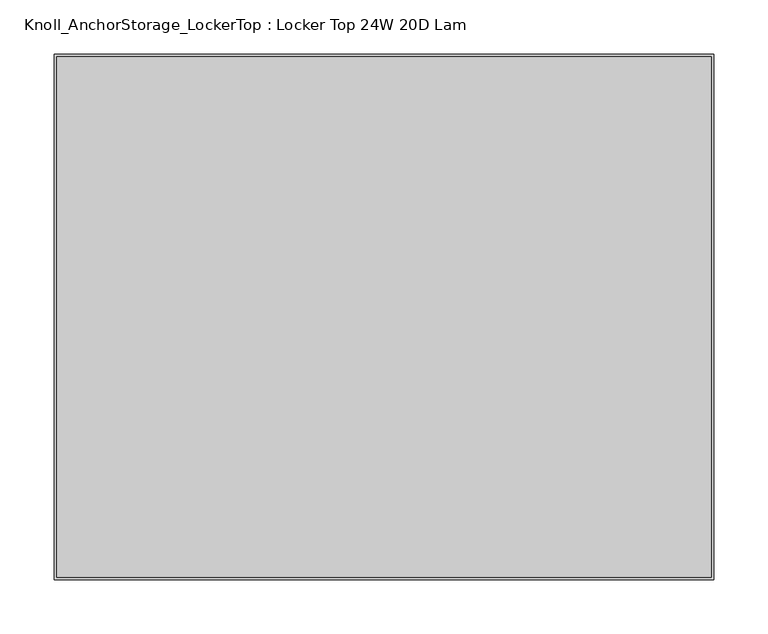
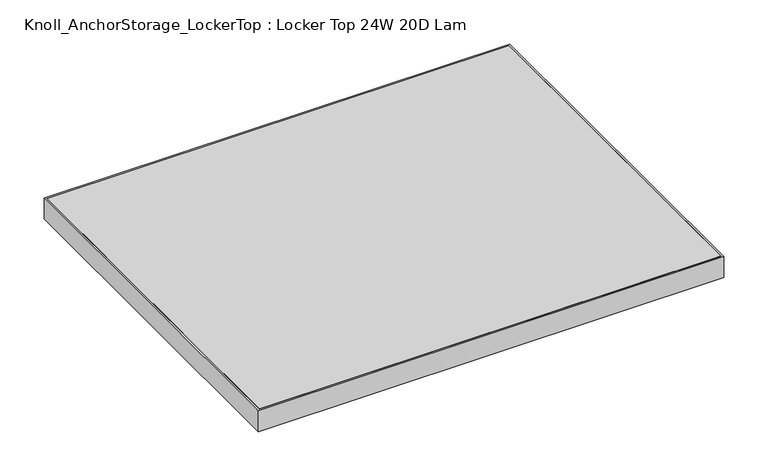
"""IFC4 building model written with IfcOpenShell, lengths in millimetres: furniture geometry, Knoll_AnchorStorage_LockerTop : Locker Top 24W 20D Lam."""

from ifc_helpers import new_model, si_unit, origin, origin_with_axes, place, context, project, spatial, polyline, outline, extrude, source, transform, mapped, element, save


def knoll_anchorstorage_lockertop_locker_top_24w_20d_lam_d33da7fa(model_context):
    return source(origin(), model_context, "Body", "SweptSolid", [
        extrude(outline(polyline([(607.06, -2.54), (607.06, -483.235), (2.54, -483.235), (2.54, -2.54), (607.06, -2.54)])), origin_with_axes(), (0.0, 0.0, 1.0), 28.9559996),
        extrude(outline(polyline([(609.6, -485.775), (0.0, -485.775), (0.0, 0.0), (609.6, 0.0), (609.6, -485.775)]), holes=[polyline([(607.06, -2.54), (2.54, -2.54), (2.54, -483.235), (607.06, -483.235), (607.06, -2.54)])]), origin_with_axes(), (0.0, 0.0, 1.0), 28.9559996),
    ])


if __name__ == "__main__":
    model = new_model("IFC4")
    model_context = context("Model", 3, world=origin())
    ifc_project = project(units=[si_unit("LENGTHUNIT", "METRE", prefix="MILLI")], contexts=[model_context])
    site = spatial("IfcSite", under=ifc_project)
    building = spatial("IfcBuilding", under=site)
    placement = place(None, origin())
    knoll_anchorstorage_lockertop_locker_top_24w_20d_lam_shape = knoll_anchorstorage_lockertop_locker_top_24w_20d_lam_d33da7fa(model_context)
    element("IfcFurniture", 1, ObjectType="Knoll_AnchorStorage_LockerTop : Locker Top 24W 20D Lam", at=placement, inside=building, context=model_context, shape_type="MappedRepresentation", body=[
        mapped(knoll_anchorstorage_lockertop_locker_top_24w_20d_lam_shape, transform((0.0, 0.0, 0.0), x_axis=(1.0, 0.0, 0.0), y_axis=(0.0, 1.0, 0.0), z_axis=(0.0, 0.0, 1.0))),
    ])
    save(model, "model.ifc")
